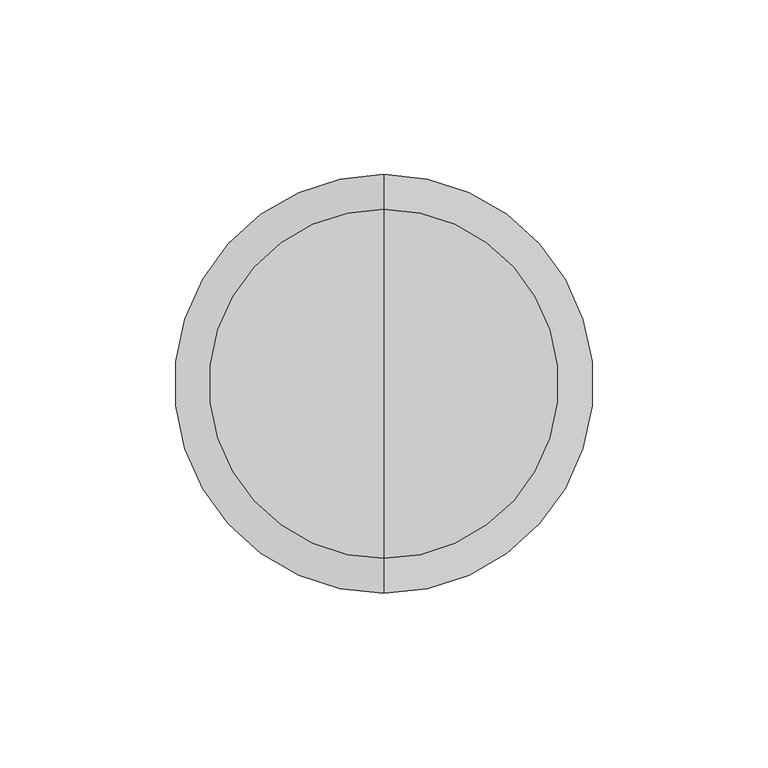
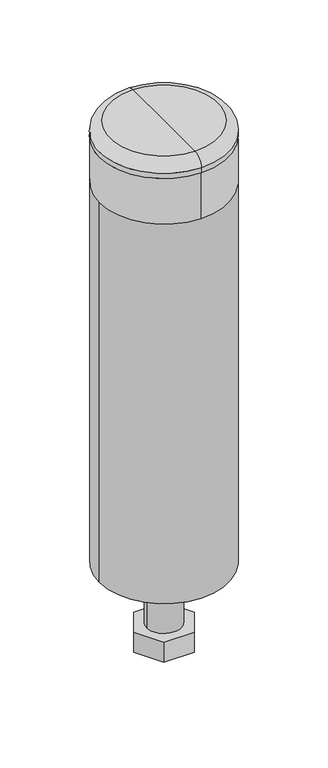
"""IFC4 building model written with IfcOpenShell, lengths in millimetres: proxy geometry."""

import ifcopenshell
import ifcopenshell.guid

model = None  # the IFC model being written
_history = None  # IfcOwnerHistory: only IFC2X3 demands one
_inside = {}  # id of a spatial element -> (the spatial element, [elements in it])
_under = {}  # id of a project, library or spatial element -> (it, [spatial elements below it])
_declared = {}  # id of a project -> (the project, [libraries it declares])
_typed = {}  # id of a type object -> (the type object, [elements of that type])
_made_of = {}  # id of a material, layer set ... -> (it, [elements and type objects made of it])


def new_model(schema):
    """Start an empty IFC model of exactly this schema.

    Asked for "IFC4X3", IfcOpenShell would pick the latest addendum, in which some entities
    have other attributes; the version numbers below select the first issue.
    IFC2X3 requires an IfcOwnerHistory on every rooted entity: one is made here for all.
    """
    global model, _history
    if schema == "IFC4X3":
        model = ifcopenshell.file(schema_version=(4, 3, 0, 0))
    else:
        model = ifcopenshell.file(schema=schema)
    _inside.clear()
    _under.clear()
    _declared.clear()
    _typed.clear()
    _made_of.clear()
    _history = None
    if model.schema == "IFC2X3":
        org = make("IfcOrganization", Name="unknown")
        user = make(
            "IfcPersonAndOrganization",
            ThePerson=make("IfcPerson", FamilyName="unknown"),
            TheOrganization=org,
        )
        app = make(
            "IfcApplication",
            ApplicationDeveloper=org,
            Version="unknown",
            ApplicationFullName="unknown",
            ApplicationIdentifier="unknown",
        )
        _history = make(
            "IfcOwnerHistory",
            OwningUser=user,
            OwningApplication=app,
            ChangeAction="ADDED",
            CreationDate=0,
        )
    return model


def make(cls, **values):
    """One entity of the class cls with the attributes given. An attribute that is None is left unset."""
    return model.create_entity(
        cls, **{name: value for name, value in values.items() if value is not None}
    )


def rooted(cls, **values):
    """An entity with a GlobalId (a new one), such as an element, a storey or a relation."""
    return make(cls, GlobalId=ifcopenshell.guid.new(), OwnerHistory=_history, **values)


def si_unit(unit_type, name, prefix=None):
    """IfcSIUnit, for example si_unit("LENGTHUNIT", "METRE", prefix="MILLI")."""
    return make("IfcSIUnit", UnitType=unit_type, Prefix=prefix, Name=name)


def assignment(units):
    """IfcUnitAssignment: the units of a project."""
    return None if units is None else make("IfcUnitAssignment", Units=units)


def point(xyz):
    """IfcCartesianPoint."""
    return None if xyz is None else make("IfcCartesianPoint", Coordinates=xyz)


def direction(xyz):
    """IfcDirection."""
    return None if xyz is None else make("IfcDirection", DirectionRatios=xyz)


def frame(location, z_axis=None, x_axis=None):
    """IfcAxis2Placement3D, a coordinate frame: its origin and axes. An axis left out is left unset."""
    return make(
        "IfcAxis2Placement3D",
        Location=point(location),
        Axis=direction(z_axis),
        RefDirection=direction(x_axis),
    )


def frame_2d(location, x_axis=None):
    """IfcAxis2Placement2D, a coordinate frame in the plane: its origin and x axis."""
    return make(
        "IfcAxis2Placement2D", Location=point(location), RefDirection=direction(x_axis)
    )


def origin():
    """The frame at (0, 0, 0) with its axes left unset."""
    return frame((0.0, 0.0, 0.0))


def origin_with_axes():
    """The frame at (0, 0, 0) with the z axis (0, 0, 1) and the x axis (1, 0, 0) written out."""
    return frame((0.0, 0.0, 0.0), z_axis=(0.0, 0.0, 1.0), x_axis=(1.0, 0.0, 0.0))


def origin_2d():
    """The frame at (0, 0) in the plane with its x axis left unset."""
    return frame_2d((0.0, 0.0))


def place(relative_to, where):
    """IfcLocalPlacement: puts the frame where relative to a parent placement (None: the world)."""
    return make(
        "IfcLocalPlacement", PlacementRelTo=relative_to, RelativePlacement=where
    )


def context(
    kind, dimensions, precision=None, world=None, true_north=None, identifier=None
):
    """IfcGeometricRepresentationContext, for example the 3D "Model" context."""
    return make(
        "IfcGeometricRepresentationContext",
        ContextIdentifier=identifier,
        ContextType=kind,
        CoordinateSpaceDimension=dimensions,
        Precision=precision,
        WorldCoordinateSystem=world,
        TrueNorth=true_north,
    )


def project(units=None, contexts=None):
    """IfcProject with its units and contexts."""
    return rooted(
        "IfcProject",
        Name="project",
        RepresentationContexts=contexts,
        UnitsInContext=assignment(units),
    )


def spatial(cls, under=None, at=None, **own):
    """A site, building, storey or space (cls), placed at a placement, below another one or the project."""
    s = rooted(cls, ObjectPlacement=at, **own)
    if under is not None:
        _under.setdefault(under.id(), (under, []))[1].append(s)
    return s


def polyline(points):
    """IfcPolyline through the points."""
    return make("IfcPolyline", Points=[point(p) for p in points])


def circle_curve(where, radius):
    """IfcCircle in the frame where."""
    return make("IfcCircle", Position=where, Radius=radius)


def ellipse_curve(where, semi_axis1, semi_axis2):
    """IfcEllipse in the frame where."""
    return make(
        "IfcEllipse", Position=where, SemiAxis1=semi_axis1, SemiAxis2=semi_axis2
    )


def trimmed(basis, trim1, trim2, sense, master):
    """IfcTrimmedCurve: the piece of a basis curve between two trims."""
    return make(
        "IfcTrimmedCurve",
        BasisCurve=basis,
        Trim1=trim1,
        Trim2=trim2,
        SenseAgreement=sense,
        MasterRepresentation=master,
    )


def segment(curve, same_sense, transition):
    """IfcCompositeCurveSegment."""
    return make(
        "IfcCompositeCurveSegment",
        Transition=transition,
        SameSense=same_sense,
        ParentCurve=curve,
    )


def composite_curve(segments, self_intersect=None):
    """IfcCompositeCurve: segments joined end to end."""
    return make("IfcCompositeCurve", Segments=segments, SelfIntersect=self_intersect)


def outline(outer, holes=None, kind="AREA"):
    """IfcArbitraryClosedProfileDef: a profile drawn as a closed curve; with holes, ...WithVoids."""
    if holes is None:
        return make("IfcArbitraryClosedProfileDef", ProfileType=kind, OuterCurve=outer)
    return make(
        "IfcArbitraryProfileDefWithVoids",
        ProfileType=kind,
        OuterCurve=outer,
        InnerCurves=holes,
    )


def extrude(swept, where, along, depth):
    """IfcExtrudedAreaSolid: the profile swept, set in the frame where, extruded along a direction by depth."""
    return make(
        "IfcExtrudedAreaSolid",
        SweptArea=swept,
        Position=where,
        ExtrudedDirection=direction(along),
        Depth=depth,
    )


def shape(context_of_items, identifier, shape_type, items):
    """IfcShapeRepresentation: the items that make up one representation, for example the "Body"."""
    return make(
        "IfcShapeRepresentation",
        ContextOfItems=context_of_items,
        RepresentationIdentifier=identifier,
        RepresentationType=shape_type,
        Items=items,
    )


def source(mapping_origin, context_of_items, identifier, shape_type, items):
    """IfcRepresentationMap: a shape defined once, which mapped items show again and again."""
    return make(
        "IfcRepresentationMap",
        MappingOrigin=mapping_origin,
        MappedRepresentation=shape(context_of_items, identifier, shape_type, items),
    )


def transform(
    local_origin,
    x_axis=None,
    y_axis=None,
    z_axis=None,
    scale=None,
    scale2=None,
    scale3=None,
    uniform=True,
):
    """IfcCartesianTransformationOperator3D, or its non-uniform kind. x_axis, y_axis, z_axis: its Axis1, 2, 3."""
    if uniform:
        return make(
            "IfcCartesianTransformationOperator3D",
            Axis1=direction(x_axis),
            Axis2=direction(y_axis),
            LocalOrigin=point(local_origin),
            Scale=scale,
            Axis3=direction(z_axis),
        )
    return make(
        "IfcCartesianTransformationOperator3DnonUniform",
        Axis1=direction(x_axis),
        Axis2=direction(y_axis),
        LocalOrigin=point(local_origin),
        Scale=scale,
        Axis3=direction(z_axis),
        Scale2=scale2,
        Scale3=scale3,
    )


def mapped(mapping_source, mapping_target):
    """IfcMappedItem: shows the shape of a source again, moved by a transform."""
    return make(
        "IfcMappedItem", MappingSource=mapping_source, MappingTarget=mapping_target
    )


def made_of(thing, what):
    """Note that an element or type object is made of a material, layer set ...; save() writes the relation."""
    if what is not None:
        _made_of.setdefault(what.id(), (what, []))[1].append(thing)
    return thing


def element(
    cls,
    number,
    at=None,
    inside=None,
    cuts=None,
    type_object=None,
    material=None,
    context=None,
    identifier="Body",
    shape_type=None,
    held_by="IfcProductDefinitionShape",
    body=None,
    shapes=None,
    **own,
):
    """One element of the class cls, such as IfcWall. Its Tag is "e" and its number.

    at: its placement. inside: the storey or other place that contains it. cuts: it is an
    opening in that element (IfcRelVoidsElement). A single representation is given by context,
    identifier, shape_type and body (its items); several are given by shapes. held_by: the class
    of the entity that holds the representations. save() writes the other relations.
    """
    e = rooted(cls, Tag="e%d" % number, ObjectPlacement=at, **own)
    if body is not None:
        shapes = [shape(context, identifier, shape_type, body)]
    if shapes is not None:
        e.Representation = make(held_by, Representations=shapes)
    if inside is not None:
        _inside.setdefault(inside.id(), (inside, []))[1].append(e)
    if cuts is not None:
        rooted(
            "IfcRelVoidsElement", RelatingBuildingElement=cuts, RelatedOpeningElement=e
        )
    if type_object is not None:
        _typed.setdefault(type_object.id(), (type_object, []))[1].append(e)
    return made_of(e, material)


def aggregate(whole, parts):
    """IfcRelAggregates: a whole, such as a stair, and the parts it consists of."""
    return rooted("IfcRelAggregates", RelatingObject=whole, RelatedObjects=parts)


def save(model, path):
    """Write the relations noted so far, then the file.

    IfcRelAggregates (storeys below a building ...), IfcRelContainedInSpatialStructure (elements
    in a storey), IfcRelDefinesByType, IfcRelAssociatesMaterial and IfcRelDeclares: one each for
    every whole, place, type object, material and project.
    """
    for whole, parts in _under.values():
        aggregate(whole, parts)
    for where, things in _inside.values():
        rooted(
            "IfcRelContainedInSpatialStructure",
            RelatedElements=things,
            RelatingStructure=where,
        )
    for kind, things in _typed.values():
        rooted("IfcRelDefinesByType", RelatedObjects=things, RelatingType=kind)
    for what, things in _made_of.values():
        rooted("IfcRelAssociatesMaterial", RelatedObjects=things, RelatingMaterial=what)
    for by, libraries in _declared.values():
        rooted("IfcRelDeclares", RelatingContext=by, RelatedDefinitions=libraries)
    model.write(path)


def plane_surface(at):
    """IfcPlane: the flat surface through the origin of the frame at, square to its z axis."""
    return make("IfcPlane", Position=at)


def cylinder_surface(at, radius):
    """IfcCylindricalSurface: all points at the distance radius from the z axis of the frame at."""
    return make("IfcCylindricalSurface", Position=at, Radius=radius)


def revolved_surface(curve, axis_point, axis_direction):
    """IfcSurfaceOfRevolution: the curve turned about the line through axis_point along axis_direction."""
    return make(
        "IfcSurfaceOfRevolution",
        SweptCurve=make("IfcArbitraryOpenProfileDef", ProfileType="CURVE", Curve=curve),
        AxisPosition=make("IfcAxis1Placement", Location=point(axis_point), Axis=direction(axis_direction)),
    )


def advanced_brep(points, edges, surfaces, faces):
    """IfcAdvancedBrep: a solid bounded by faces that lie on surfaces and meet in shared edges.

    An edge is (start, end): straight between two places in points (the first is 0);
    or (start, end, curve); or (start, end, curve, False) where it runs against its curve.
    A face is (place in surfaces, loops), or (place, loops, False) where it looks against
    its surface's normal. A loop lists edges by number (the first is 1), with a minus sign
    where the edge is run from its end to its start. The first loop is the outer one.
    """
    corners = [point(p) for p in points]
    vertices = [make("IfcVertexPoint", VertexGeometry=c) for c in corners]
    made = []
    for start, end, *more in edges:
        made.append(
            make(
                "IfcEdgeCurve",
                EdgeStart=vertices[start],
                EdgeEnd=vertices[end],
                EdgeGeometry=more[0] if more else make("IfcPolyline", Points=[corners[start], corners[end]]),
                SameSense=more[1] if len(more) > 1 else True,
            )
        )
    hull = []
    for where, loops, *sense in faces:
        bounds = []
        for j, loop in enumerate(loops):
            ring = [make("IfcOrientedEdge", EdgeElement=made[abs(k) - 1], Orientation=k > 0) for k in loop]
            bounds.append(
                make(
                    "IfcFaceOuterBound" if j == 0 else "IfcFaceBound",
                    Bound=make("IfcEdgeLoop", EdgeList=ring),
                    Orientation=True,
                )
            )
        hull.append(make("IfcAdvancedFace", Bounds=bounds, FaceSurface=surfaces[where], SameSense=sense[0] if sense else True))
    return make("IfcAdvancedBrep", Outer=make("IfcClosedShell", CfsFaces=hull))


def generic_models_3e306d62(model_context):
    return source(origin(), model_context, "Body", "SolidModel", [
        advanced_brep(
        [(14.0, 24.2487113, 395.0), (-14.0, 24.2487113, 395.0), (-28.0, 0.0, 395.0), (-14.0, -24.2487113, 395.0), (14.0, -24.2487113, 395.0), (28.0, 0.0, 395.0), (0.0, 15.0, 395.0), (0.0, -15.0, 395.0), (14.0, 24.2487113, 375.0), (-14.0, 24.2487113, 375.0), (-28.0, 0.0, 375.0), (-14.0, -24.2487113, 375.0), (14.0, -24.2487113, 375.0), (28.0, 0.0, 375.0), (0.0, 15.0, 375.0), (0.0, -15.0, 375.0), (0.0, 30.0, 373.0), (0.0, -30.0, 373.0), (0.0, 15.0, 373.0), (0.0, -15.0, 373.0), (0.0, 30.0, 375.0), (0.0, -30.0, 375.0)],
        [
            (0, 1),
            (1, 2),
            (2, 3),
            (3, 4),
            (4, 5),
            (5, 0),
            (6, 7, circle_curve(frame((0.0, 0.0, 395.0), z_axis=(0.0, 0.0, -1.0), x_axis=(0.0, -1.0, 0.0)), 15.0)),
            (7, 6, circle_curve(frame((0.0, 0.0, 395.0), z_axis=(0.0, 0.0, -1.0), x_axis=(0.0, -1.0, 0.0)), 15.0)),
            (0, 8),
            (8, 9),
            (9, 1),
            (9, 10),
            (10, 2),
            (10, 11),
            (11, 3),
            (11, 12),
            (12, 4),
            (12, 13),
            (13, 5),
            (13, 8),
            (6, 14),
            (14, 15, circle_curve(frame((0.0, 0.0, 375.0), z_axis=(0.0, 0.0, -1.0), x_axis=(0.0, -1.0, 0.0)), 15.0)),
            (15, 7),
            (15, 14, circle_curve(frame((0.0, 0.0, 375.0), z_axis=(0.0, 0.0, -1.0), x_axis=(0.0, -1.0, 0.0)), 15.0)),
            (16, 17, circle_curve(frame((0.0, 0.0, 373.0), z_axis=(0.0, 0.0, -1.0), x_axis=(0.0, -1.0, 0.0)), 30.0)),
            (17, 16, circle_curve(frame((0.0, 0.0, 373.0), z_axis=(0.0, 0.0, -1.0), x_axis=(0.0, -1.0, 0.0)), 30.0)),
            (18, 19, circle_curve(frame((0.0, 0.0, 373.0), z_axis=(0.0, 0.0, 1.0), x_axis=(0.0, -1.0, 0.0)), 15.0)),
            (19, 18, circle_curve(frame((0.0, 0.0, 373.0), z_axis=(0.0, 0.0, 1.0), x_axis=(0.0, -1.0, 0.0)), 15.0)),
            (20, 21, circle_curve(frame((0.0, 0.0, 375.0), z_axis=(0.0, 0.0, 1.0), x_axis=(0.0, -1.0, 0.0)), 30.0)),
            (21, 20, circle_curve(frame((0.0, 0.0, 375.0), z_axis=(0.0, 0.0, 1.0), x_axis=(0.0, -1.0, 0.0)), 30.0)),
            (16, 20),
            (21, 17),
            (18, 14),
            (15, 19),
        ],
        [
            plane_surface(frame((14.0, 24.2487113, 395.0), z_axis=(0.0, 0.0, 1.0), x_axis=(-1.0, 0.0, 0.0))),
            plane_surface(frame((14.0, 24.2487113, 395.0), z_axis=(0.0, 1.0, 0.0), x_axis=(0.0, 0.0, -1.0))),
            plane_surface(frame((-14.0, 24.2487113, 395.0), z_axis=(-0.866025403784442, 0.49999999999999406, 0.0), x_axis=(0.0, 0.0, -1.0))),
            plane_surface(frame((-28.0, 0.0, 395.0), z_axis=(-0.8660254037844491, -0.4999999999999818, 0.0), x_axis=(0.0, 0.0, -1.0))),
            plane_surface(frame((-14.0, -24.2487113, 395.0), z_axis=(0.0, -1.0, 0.0), x_axis=(0.0, 0.0, -1.0))),
            plane_surface(frame((14.0, -24.2487113, 395.0), z_axis=(0.8660254037844376, -0.5000000000000018, 0.0), x_axis=(0.0, 0.0, -1.0))),
            plane_surface(frame((28.0, 0.0, 395.0), z_axis=(0.8660254037844406, 0.49999999999999684, 0.0), x_axis=(0.0, 0.0, -1.0))),
            revolved_surface(polyline([(0.0, -15.0, 375.0), (0.0, -15.0, 395.0)]), (0.0, 0.0, 375.0), (0.0, 0.0, -1.0)),
            plane_surface(frame((0.0, -30.0, 373.0), z_axis=(0.0, 0.0, -1.0), x_axis=(-1.0, 0.0, 0.0))),
            plane_surface(frame((0.0, -30.0, 375.0), z_axis=(0.0, 0.0, 1.0), x_axis=(1.0, 0.0, 0.0))),
            cylinder_surface(frame((0.0, 0.0, 375.0), z_axis=(0.0, 0.0, -1.0), x_axis=(0.0, -1.0, 0.0)), 30.0),
            revolved_surface(polyline([(0.0, -15.0, 375.0), (0.0, -15.0, 373.0)]), (0.0, 0.0, 373.0), (0.0, 0.0, 1.0)),
        ],
        [
            (0, [[1, 2, 3, 4, 5, 6], [7, 8]]),
            (1, [[-1, 9, 10, 11]]),
            (2, [[-2, -11, 12, 13]]),
            (3, [[-3, -13, 14, 15]]),
            (4, [[-4, -15, 16, 17]]),
            (5, [[-5, -17, 18, 19]]),
            (6, [[-6, -19, 20, -9]]),
            (7, [[-7, 21, 22, 23]]),
            (7, [[-8, -23, 24, -21]]),
            (8, [[25, 26], [27, 28]]),
            (9, [[29, 30], [-10, -20, -18, -16, -14, -12]]),
            (10, [[-25, 31, -30, 32]]),
            (10, [[-26, -32, -29, -31]]),
            (11, [[-27, 33, -24, 34]]),
            (11, [[-28, -34, -22, -33]]),
        ],
    ),
        advanced_brep(
        [(0.0, 50.0, 433.0), (0.0, -50.0, 433.0), (0.0, 0.0, 433.0), (0.0, 60.0, 423.0), (0.0, -60.0, 423.0), (0.0, 60.0, 418.0), (0.0, -60.0, 418.0), (0.0, 40.0, 418.0), (0.0, -40.0, 418.0), (0.0, 40.0, 403.0), (0.0, -40.0, 403.0), (0.0, 30.0, 403.0), (0.0, -30.0, 403.0), (0.0, 30.0, 418.0), (0.0, -30.0, 418.0), (0.0, 0.0, 418.0)],
        [
            (0, 1, circle_curve(frame((0.0, 0.0, 433.0), z_axis=(0.0, 0.0, 1.0), x_axis=(0.0, -1.0, 0.0)), 50.0)),
            (1, 2),
            (2, 0),
            (1, 0, circle_curve(frame((0.0, 0.0, 433.0), z_axis=(0.0, 0.0, 1.0), x_axis=(0.0, -1.0, 0.0)), 50.0)),
            (3, 4, circle_curve(frame((0.0, 0.0, 423.0), z_axis=(0.0, 0.0, 1.0), x_axis=(0.0, -1.0, 0.0)), 60.0)),
            (4, 1, circle_curve(frame((0.0, -50.0, 423.0), z_axis=(-1.0, 0.0, 0.0), x_axis=(0.0, 1.0, 0.0)), 10.0)),
            (0, 3, circle_curve(frame((0.0, 50.0, 423.0), z_axis=(-1.0, 0.0, 0.0), x_axis=(0.0, -1.0, 0.0)), 10.0)),
            (4, 3, circle_curve(frame((0.0, 0.0, 423.0), z_axis=(0.0, 0.0, 1.0), x_axis=(0.0, -1.0, 0.0)), 60.0)),
            (5, 6, circle_curve(frame((0.0, 0.0, 418.0), z_axis=(0.0, 0.0, 1.0), x_axis=(0.0, -1.0, 0.0)), 60.0)),
            (6, 4),
            (3, 5),
            (6, 5, circle_curve(frame((0.0, 0.0, 418.0), z_axis=(0.0, 0.0, 1.0), x_axis=(0.0, -1.0, 0.0)), 60.0)),
            (7, 8, circle_curve(frame((0.0, 0.0, 418.0), z_axis=(0.0, 0.0, 1.0), x_axis=(0.0, -1.0, 0.0)), 40.0)),
            (8, 6),
            (5, 7),
            (8, 7, circle_curve(frame((0.0, 0.0, 418.0), z_axis=(0.0, 0.0, 1.0), x_axis=(0.0, -1.0, 0.0)), 40.0)),
            (9, 10, circle_curve(frame((0.0, 0.0, 403.0), z_axis=(0.0, 0.0, 1.0), x_axis=(0.0, -1.0, 0.0)), 40.0)),
            (10, 8),
            (7, 9),
            (10, 9, circle_curve(frame((0.0, 0.0, 403.0), z_axis=(0.0, 0.0, 1.0), x_axis=(0.0, -1.0, 0.0)), 40.0)),
            (11, 12, circle_curve(frame((0.0, 0.0, 403.0), z_axis=(0.0, 0.0, 1.0), x_axis=(0.0, -1.0, 0.0)), 30.0)),
            (12, 10),
            (9, 11),
            (12, 11, circle_curve(frame((0.0, 0.0, 403.0), z_axis=(0.0, 0.0, 1.0), x_axis=(0.0, -1.0, 0.0)), 30.0)),
            (13, 14, circle_curve(frame((0.0, 0.0, 418.0), z_axis=(0.0, 0.0, 1.0), x_axis=(0.0, -1.0, 0.0)), 30.0)),
            (14, 12),
            (11, 13),
            (14, 13, circle_curve(frame((0.0, 0.0, 418.0), z_axis=(0.0, 0.0, 1.0), x_axis=(0.0, -1.0, 0.0)), 30.0)),
            (15, 14),
            (13, 15),
        ],
        [
            plane_surface(frame((0.0, 0.0, 433.0), z_axis=(0.0, 0.0, 1.0), x_axis=(0.0, -1.0, 0.0))),
            revolved_surface(trimmed(ellipse_curve(frame((0.0, -50.0, 423.0), z_axis=(1.0, 0.0, 0.0), x_axis=(0.0, 1.0, 0.0)), 10.0, 10.0), [point((0.0, -50.0, 433.0))], [point((0.0, -60.0, 423.0))], True, "CARTESIAN"), (0.0, 0.0, 2741.4742198), (0.0, 0.0, -1.0)),
            cylinder_surface(frame((0.0, 0.0, 2741.4742198), z_axis=(0.0, 0.0, -1.0), x_axis=(0.0, -1.0, 0.0)), 60.0),
            plane_surface(frame((0.0, 0.0, 418.0), z_axis=(0.0, 0.0, -1.0), x_axis=(0.0, -1.0, 0.0))),
            cylinder_surface(frame((0.0, 0.0, 2741.4742198), z_axis=(0.0, 0.0, -1.0), x_axis=(0.0, -1.0, 0.0)), 40.0),
            plane_surface(frame((0.0, 0.0, 403.0), z_axis=(0.0, 0.0, -1.0), x_axis=(0.0, -1.0, 0.0))),
            revolved_surface(polyline([(0.0, -30.0, 403.0), (0.0, -30.0, 418.0)]), (0.0, 0.0, 2741.4742198), (0.0, 0.0, -1.0)),
        ],
        [
            (0, [[1, 2, 3]]),
            (0, [[4, -3, -2]]),
            (1, [[5, 6, -1, 7]]),
            (1, [[8, -7, -4, -6]]),
            (2, [[9, 10, -5, 11]]),
            (2, [[12, -11, -8, -10]]),
            (3, [[13, 14, -9, 15]]),
            (3, [[16, -15, -12, -14]]),
            (4, [[17, 18, -13, 19]]),
            (4, [[20, -19, -16, -18]]),
            (5, [[21, 22, -17, 23]]),
            (5, [[24, -23, -20, -22]]),
            (6, [[25, 26, -21, 27]]),
            (6, [[28, -27, -24, -26]]),
            (3, [[29, -25, 30]]),
            (3, [[-30, -28, -29]]),
        ],
    ),
        advanced_brep(
        [(0.0, 40.0, 373.0), (0.0, -40.0, 373.0), (-15.0, 0.0, 373.0), (15.0, 0.0, 373.0), (-60.0, 0.0, 0.0), (60.0, 0.0, 0.0), (-15.0, 0.0, 0.0), (15.0, 0.0, 0.0), (60.0, 0.0, 373.0), (0.0, -60.0, 373.0), (-60.0, 0.0, 373.0), (0.0, 60.0, 373.0), (0.0, 60.0, 418.0), (0.0, -60.0, 418.0), (0.0, 40.0, 418.0), (0.0, -40.0, 418.0)],
        [
            (0, 1, circle_curve(frame((0.0, 0.0, 373.0), z_axis=(0.0, 0.0, 1.0), x_axis=(0.0, -1.0, 0.0)), 40.0)),
            (1, 0, circle_curve(frame((0.0, 0.0, 373.0), z_axis=(0.0, 0.0, 1.0), x_axis=(0.0, -1.0, 0.0)), 40.0)),
            (2, 3, circle_curve(frame((0.0, 0.0, 373.0), z_axis=(0.0, 0.0, -1.0), x_axis=(1.0, 0.0, 0.0)), 15.0)),
            (3, 2, circle_curve(frame((0.0, 0.0, 373.0), z_axis=(0.0, 0.0, -1.0), x_axis=(1.0, 0.0, 0.0)), 15.0)),
            (4, 5, circle_curve(frame((0.0, 0.0, 0.0), z_axis=(0.0, 0.0, -1.0), x_axis=(1.0, 0.0, 0.0)), 60.0)),
            (5, 4, circle_curve(frame((0.0, 0.0, 0.0), z_axis=(0.0, 0.0, -1.0), x_axis=(1.0, 0.0, 0.0)), 60.0)),
            (6, 7, circle_curve(origin_with_axes(), 15.0)),
            (7, 6, circle_curve(origin_with_axes(), 15.0)),
            (5, 8),
            (8, 9, circle_curve(frame((0.0, 0.0, 373.0), z_axis=(0.0, 0.0, -1.0), x_axis=(1.0, 0.0, 0.0)), 60.0)),
            (9, 10, circle_curve(frame((0.0, 0.0, 373.0), z_axis=(0.0, 0.0, -1.0), x_axis=(1.0, 0.0, 0.0)), 60.0)),
            (10, 4),
            (10, 11, circle_curve(frame((0.0, 0.0, 373.0), z_axis=(0.0, 0.0, -1.0), x_axis=(1.0, 0.0, 0.0)), 60.0)),
            (11, 8, circle_curve(frame((0.0, 0.0, 373.0), z_axis=(0.0, 0.0, -1.0), x_axis=(1.0, 0.0, 0.0)), 60.0)),
            (2, 6),
            (7, 3),
            (12, 13, circle_curve(frame((0.0, 0.0, 418.0), z_axis=(0.0, 0.0, 1.0), x_axis=(0.0, -1.0, 0.0)), 60.0)),
            (13, 12, circle_curve(frame((0.0, 0.0, 418.0), z_axis=(0.0, 0.0, 1.0), x_axis=(0.0, -1.0, 0.0)), 60.0)),
            (14, 15, circle_curve(frame((0.0, 0.0, 418.0), z_axis=(0.0, 0.0, -1.0), x_axis=(0.0, -1.0, 0.0)), 40.0)),
            (15, 14, circle_curve(frame((0.0, 0.0, 418.0), z_axis=(0.0, 0.0, -1.0), x_axis=(0.0, -1.0, 0.0)), 40.0)),
            (13, 9),
            (11, 12),
            (15, 1),
            (0, 14),
        ],
        [
            plane_surface(frame((60.0, 0.0, 373.0), z_axis=(0.0, 0.0, 1.0), x_axis=(0.0, 1.0, 0.0))),
            plane_surface(frame((60.0, 0.0, 0.0), z_axis=(0.0, 0.0, -1.0), x_axis=(0.0, -1.0, 0.0))),
            cylinder_surface(origin_with_axes(), 60.0),
            revolved_surface(polyline([(15.0, 0.0, 0.0), (15.0, 0.0, 373.0)]), (0.0, 0.0, 0.0), (0.0, 0.0, -1.0)),
            plane_surface(frame((0.0, -60.0, 418.0), z_axis=(0.0, 0.0, 1.0), x_axis=(1.0, 0.0, 0.0))),
            cylinder_surface(frame((0.0, 0.0, 418.0), z_axis=(0.0, 0.0, -1.0), x_axis=(0.0, -1.0, 0.0)), 60.0),
            revolved_surface(polyline([(0.0, -40.0, 418.0), (0.0, -40.0, 373.0)]), (0.0, 0.0, 373.0), (0.0, 0.0, 1.0)),
        ],
        [
            (0, [[1, 2], [3, 4]]),
            (1, [[5, 6], [7, 8]]),
            (2, [[-6, 9, 10, 11, 12]]),
            (2, [[-5, -12, 13, 14, -9]]),
            (3, [[-3, 15, -8, 16]]),
            (3, [[-4, -16, -7, -15]]),
            (4, [[17, 18], [19, 20]]),
            (5, [[-18, 21, -10, -14, 22]]),
            (5, [[-17, -22, -13, -11, -21]]),
            (6, [[-20, 23, -1, 24]]),
            (6, [[-19, -24, -2, -23]]),
        ],
    ),
        extrude(outline(composite_curve([segment(trimmed(circle_curve(origin_2d(), 16.0), [point((16.0, 0.0))], [point((-16.0, 0.0))], False, "CARTESIAN"), True, "CONTINUOUS"), segment(trimmed(circle_curve(origin_2d(), 16.0), [point((-16.0, 0.0))], [point((16.0, 0.0))], False, "CARTESIAN"), True, "CONTINUOUS")], self_intersect=False), holes=[composite_curve([segment(trimmed(circle_curve(origin_2d(), 15.0), [point((15.0, 0.0))], [point((-15.0, 0.0))], True, "CARTESIAN"), True, "CONTINUOUS"), segment(trimmed(circle_curve(origin_2d(), 15.0), [point((-15.0, 0.0))], [point((15.0, 0.0))], True, "CARTESIAN"), True, "CONTINUOUS")], self_intersect=False)]), frame((0.0, 0.0, -60.0), z_axis=(0.0, 0.0, 1.0), x_axis=(1.0, 0.0, 0.0)), (0.0, 0.0, 1.0), 60.0),
        extrude(outline(composite_curve([segment(trimmed(circle_curve(origin_2d(), 15.0), [point((15.0, 0.0))], [point((-15.0, 0.0))], False, "CARTESIAN"), True, "CONTINUOUS"), segment(trimmed(circle_curve(origin_2d(), 15.0), [point((-15.0, 0.0))], [point((15.0, 0.0))], False, "CARTESIAN"), True, "CONTINUOUS")], self_intersect=False)), frame((0.0, 0.0, -85.0), z_axis=(0.0, 0.0, 1.0), x_axis=(1.0, 0.0, 0.0)), (0.0, 0.0, 1.0), 488.0),
        extrude(outline(polyline([(14.0, 24.2487113), (28.0, 0.0), (14.0, -24.2487113), (-14.0, -24.2487113), (-28.0, 0.0), (-14.0, 24.2487113), (14.0, 24.2487113)]), holes=[composite_curve([segment(trimmed(circle_curve(origin_2d(), 15.0), [point((15.0, 0.0))], [point((-15.0, 0.0))], True, "CARTESIAN"), True, "CONTINUOUS"), segment(trimmed(circle_curve(origin_2d(), 15.0), [point((-15.0, 0.0))], [point((15.0, 0.0))], True, "CARTESIAN"), True, "CONTINUOUS")], self_intersect=False)]), frame((0.0, 0.0, -80.0), z_axis=(0.0, 0.0, 1.0), x_axis=(1.0, 0.0, 0.0)), (0.0, 0.0, 1.0), 20.0),
    ])


if __name__ == "__main__":
    model = new_model("IFC4")
    model_context = context("Model", 3, world=origin())
    ifc_project = project(units=[si_unit("LENGTHUNIT", "METRE", prefix="MILLI")], contexts=[model_context])
    site = spatial("IfcSite", under=ifc_project)
    building = spatial("IfcBuilding", under=site)
    placement = place(None, origin())
    generic_models_shape = generic_models_3e306d62(model_context)
    element("IfcBuildingElementProxy", 1, Name="Generic Models", at=placement, inside=building, context=model_context, shape_type="MappedRepresentation", body=[
        mapped(generic_models_shape, transform((0.0, 0.0, 0.0), x_axis=(1.0, 0.0, 0.0), y_axis=(0.0, 1.0, 0.0), z_axis=(0.0, 0.0, 1.0))),
    ])
    save(model, "model.ifc")
